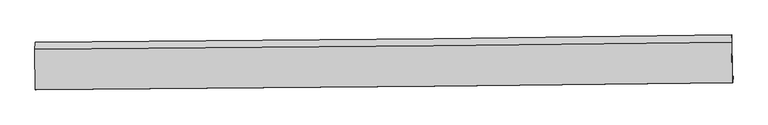
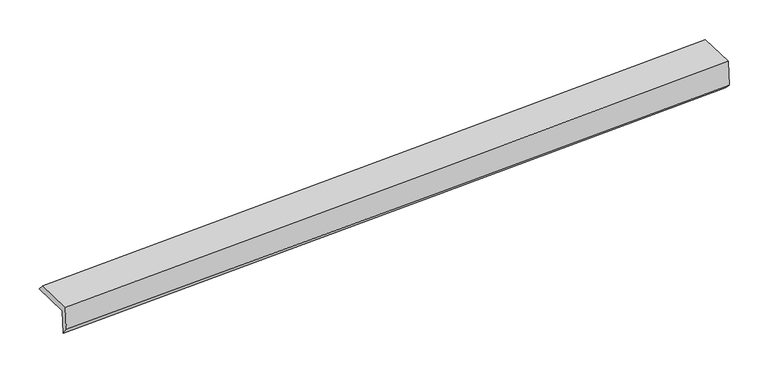
"""IFC4 building model written with IfcOpenShell, lengths in millimetres: proxy geometry."""

from ifc_helpers import new_model, si_unit, frame, origin, place, context, project, spatial, source, transform, mapped, element, save
from ifc_brep_helpers import plane_surface, spline_curve, spline_surface, advanced_brep


def generic_models_94806629(model_context):
    return source(origin(), model_context, "Body", "AdvancedBrep", [
        advanced_brep(
        [(-5940.9737571, -1885.9415461, 1435.5698928), (-5954.4286904, -1882.0729065, 1836.5111288), (5393.8530104, -1760.8798928, 2226.1776538), (5407.7168566, -1764.8661053, 1813.0512973), (-5944.1653687, -1982.7490241, 1560.5548475), (5405.0757792, -1871.8024375, 1924.6793948), (-5957.7372789, -1978.8467506, 1964.9818555), (5390.6433728, -1867.6527493, 2354.7481805), (-5964.1944362, -1326.3488784, 1958.4692808), (5384.0872647, -1205.1558646, 2348.1358058), (-5961.0791204, -1210.044762, 1829.8036227), (5387.2025804, -1088.8517482, 2219.4701477)],
        [
            (0, 1),
            (1, 2, spline_curve(3, [(-5954.4286904, -1882.0729065, 1836.5111288), (-3790.889510063, -1861.200022735, 1910.261680918), (-1627.374690751, -1839.050581158, 1984.319671099), (2155.375162342, -1798.091446114, 2114.34373234), (3774.620909095, -1779.84321657, 2170.174583427), (5393.8530104, -1760.8798928, 2226.1776538)], [4, 2, 4], [0.0, 21.308019084441412, 37.2559563207416])),
            (2, 3),
            (3, 0, spline_curve(3, [(5407.7168566, -1764.8661053, 1813.0512973), (3788.501729216, -1783.834309671, 1756.542430124), (2169.24071341, -1802.078148985, 1701.166557971), (-1613.62012766, -1843.005371819, 1574.449840851), (-3777.255983601, -1865.12001253, 1503.99857822), (-5940.9737571, -1885.9415461, 1435.5698928)], [4, 2, 4], [0.0, 15.947937236300191, 37.2559563207416])),
            (4, 0),
            (3, 5),
            (5, 4, spline_curve(3, [(5405.0757792, -1871.8024375, 1924.6793948), (3785.689741121, -1891.786301744, 1873.589028235), (2166.297348832, -1909.992367259, 1822.128022958), (-1616.778045205, -1948.370419337, 1701.044184044), (-3780.466035359, -1967.146549816, 1631.13034051), (-5944.1653687, -1982.7490241, 1560.5548475)], [4, 2, 4], [0.0, 15.947942810277933, 37.255969342104066])),
            (6, 4),
            (5, 7),
            (7, 6, spline_curve(3, [(5390.6433728, -1867.6527493, 2354.7481805), (3771.421838921, -1887.683913226, 2298.755768407), (2152.17609208, -1905.93214252, 2242.924917028), (-1630.598447358, -1944.396698089, 2112.875957441), (-3794.14625082, -1963.213135828, 2038.784700132), (-5957.7372789, -1978.8467506, 1964.9818555)], [4, 2, 4], [0.0, 15.94794594022402, 37.255976653967224])),
            (8, 6),
            (7, 9),
            (9, 8, spline_curve(3, [(5384.0872647, -1205.1558646, 2348.1358058), (3764.883998551, -1227.032980201, 2292.161818219), (2145.654743285, -1246.947711765, 2236.347600189), (-1637.085417902, -1288.886168255, 2106.333313538), (-3800.616729668, -1309.369107798, 2032.258689685), (-5964.1944362, -1326.3488784, 1958.4692808)], [4, 2, 4], [0.0, 15.947954313434007, 37.25599621461265])),
            (10, 8),
            (9, 11),
            (11, 10, spline_curve(3, [(5387.2025804, -1088.8517482, 2219.4701477), (3767.999314328, -1110.728863971, 2163.496159965), (2148.770058919, -1130.643595457, 2107.681942178), (-1633.970102114, -1172.582051733, 1977.667655319), (-3797.501413938, -1193.064991517, 1903.593031589), (-5961.0791204, -1210.044762, 1829.8036227)], [4, 2, 4], [0.0, 15.947957537968072, 37.25600374744267])),
            (1, 10),
            (11, 2),
        ],
        [
            spline_surface(3, 3, [[(-5940.9737571, -1885.9415461, 1435.5698928), (-3777.255983698, -1865.120012458, 1503.998578006), (-1613.620127986, -1843.005371659, 1574.44984081), (2169.240713654, -1802.078149105, 1701.166558002), (3788.501729229, -1783.83430965, 1756.542430039), (5407.7168566, -1764.8661053, 1813.0512973)], [(-5945.458734896, -1884.651999562, 1569.216971465), (-3781.800492546, -1863.81334921, 1639.41961221), (-1618.204982132, -1841.6871081, 1711.073117579), (2164.618863152, -1800.749248141, 1838.892282769), (3783.874789275, -1782.503945338, 1894.419814516), (5403.095574553, -1763.537367782, 1950.760082794)], [(-5949.943712604, -1883.362453038, 1702.864050135), (-3786.345001306, -1862.506685978, 1774.840646418), (-1622.789836308, -1840.368844559, 1847.696394361), (2159.997012621, -1799.420347196, 1976.618007549), (3779.247849262, -1781.173581081, 2032.297199011), (5398.474292447, -1762.208630318, 2088.468868306)], [(-5954.4286904, -1882.0729065, 1836.5111288), (-3790.889510154, -1861.20002273, 1910.261680621), (-1627.374690454, -1839.050581, 1984.319671131), (2155.37516212, -1798.091446232, 2114.343732316), (3774.620909309, -1779.843216769, 2170.174583488), (5393.8530104, -1760.8798928, 2226.1776538)]], [4, 4], [4, 2, 4], [0.0, 1.3491362604783097], [0.0, 21.308019084441412, 37.2559563207416]),
            spline_surface(3, 3, [[(-5944.1653687, -1982.7490241, 1560.5548475), (-3780.466035677, -1967.146549568, 1631.130340414), (-1616.778045128, -1948.370419342, 1701.044184232), (2166.297348774, -1909.992367254, 1822.128022817), (3785.689740869, -1891.786301927, 1873.589028086), (5405.0757792, -1871.8024375, 1924.6793948)], [(-5943.101498157, -1950.479864785, 1518.893195951), (-3779.396018341, -1933.137703884, 1588.753086295), (-1615.725406085, -1913.248736787, 1658.84606975), (2167.278470395, -1874.02096121, 1781.807534537), (3786.627070311, -1855.802304504, 1834.573495411), (5405.956138322, -1836.156993436, 1887.470028975)], [(-5942.037627643, -1918.210705415, 1477.231544349), (-3778.326001034, -1899.128858143, 1546.375832124), (-1614.672767028, -1878.127054215, 1616.647955292), (2168.259592032, -1838.049555149, 1741.487046282), (3787.564399787, -1819.818307073, 1795.557962713), (5406.836497478, -1800.511549364, 1850.260663125)], [(-5940.9737571, -1885.9415461, 1435.5698928), (-3777.255983698, -1865.120012458, 1503.998578006), (-1613.620127986, -1843.005371659, 1574.44984081), (2169.240713654, -1802.078149105, 1701.166558002), (3788.501729229, -1783.83430965, 1756.542430039), (5407.7168566, -1764.8661053, 1813.0512973)]], [4, 4], [4, 2, 4], [0.0, 0.5368456729127155], [0.0, 21.308026531826133, 37.255969342104066]),
            spline_surface(3, 3, [[(-5957.7372789, -1978.8467506, 1964.9818555), (-3794.146250542, -1963.21313569, 2038.784700411), (-1630.598447151, -1944.396698103, 2112.875957459), (2152.176091925, -1905.93214251, 2242.924917014), (3771.421839114, -1887.683913046, 2298.755768286), (5390.6433728, -1867.6527493, 2354.7481805)], [(-5953.213308831, -1980.14750842, 1830.172852841), (-3789.586178918, -1964.524273636, 1902.899913752), (-1625.99164647, -1945.721271856, 1975.598699706), (2156.883177547, -1907.285550764, 2102.659285604), (3776.177806368, -1889.051376028, 2157.03352156), (5395.454174936, -1869.035978721, 2211.391918607)], [(-5948.689338769, -1981.44826628, 1695.363850159), (-3785.026107301, -1965.835411622, 1767.015127072), (-1621.384845808, -1947.04584559, 1838.321441986), (2161.590263151, -1908.638959, 1962.393654227), (3780.933773614, -1890.418838945, 2015.311274812), (5400.264977064, -1870.419208079, 2068.035656693)], [(-5944.1653687, -1982.7490241, 1560.5548475), (-3780.466035677, -1967.146549568, 1631.130340414), (-1616.778045128, -1948.370419342, 1701.044184232), (2166.297348774, -1909.992367254, 1822.128022817), (3785.689740869, -1891.786301927, 1873.589028086), (5405.0757792, -1871.8024375, 1924.6793948)]], [4, 4], [4, 2, 4], [0.0, 1.3626068154029978], [0.0, 21.308030713743204, 37.255976653967224]),
            spline_surface(3, 3, [[(-5964.1944362, -1326.3488784, 1958.4692808), (-3800.616729476, -1309.369108027, 2032.258689747), (-1637.08541788, -1288.886168268, 2106.333313576), (2145.654743269, -1246.947711755, 2236.347600161), (3764.883998662, -1227.03298022, 2292.161818013), (5384.0872647, -1205.1558646, 2348.1358058)], [(-5962.042050444, -1543.848169143, 1960.640139024), (-3798.459903175, -1527.317117257, 2034.434026625), (-1634.923094312, -1507.389678187, 2108.514194901), (2147.828526146, -1466.609188647, 2238.540039143), (3767.063278807, -1447.2499578, 2294.359801442), (5386.272634061, -1425.988159471, 2350.339930704)], [(-5959.889664656, -1761.347459857, 1962.810997276), (-3796.303076843, -1745.26512646, 2036.609363532), (-1632.760770719, -1725.893188185, 2110.695076134), (2150.002309048, -1686.270665618, 2240.732478032), (3769.242558969, -1667.466935466, 2296.557784858), (5388.458003439, -1646.820454429, 2352.544055596)], [(-5957.7372789, -1978.8467506, 1964.9818555), (-3794.146250542, -1963.21313569, 2038.784700411), (-1630.598447151, -1944.396698103, 2112.875957459), (2152.176091925, -1905.93214251, 2242.924917014), (3771.421839114, -1887.683913046, 2298.755768286), (5390.6433728, -1867.6527493, 2354.7481805)]], [4, 4], [4, 2, 4], [0.0, 2.1549467072294988], [0.0, 21.308041901178644, 37.25599621461265]),
            spline_surface(3, 3, [[(-5961.0791204, -1210.044762, 1829.8036227), (-3797.501413676, -1193.064991627, 1903.593031647), (-1633.97010218, -1172.582051868, 1977.667655476), (2148.770058969, -1130.643595355, 2107.681942061), (3767.999314362, -1110.72886382, 2163.496159913), (5387.2025804, -1088.8517482, 2219.4701477)], [(-5962.117558975, -1248.812800805, 1872.692175394), (-3798.53985225, -1231.833030432, 1946.48158434), (-1635.008540755, -1211.350090674, 2020.556208169), (2147.731620394, -1169.41163416, 2150.570494754), (3766.960875787, -1149.496902625, 2206.384712607), (5386.164141825, -1127.619787005, 2262.358700394)], [(-5963.155997625, -1287.580839595, 1915.580728106), (-3799.578290901, -1270.601069222, 1989.370137053), (-1636.046979305, -1250.118129463, 2063.444760882), (2146.693181843, -1208.17967295, 2193.459047467), (3765.922437237, -1188.264941415, 2249.27326532), (5385.125703275, -1166.387825795, 2305.247253106)], [(-5964.1944362, -1326.3488784, 1958.4692808), (-3800.616729476, -1309.369108027, 2032.258689747), (-1637.08541788, -1288.886168268, 2106.333313576), (2145.654743269, -1246.947711755, 2236.347600161), (3764.883998662, -1227.03298022, 2292.161818013), (5384.0872647, -1205.1558646, 2348.1358058)]], [4, 4], [4, 2, 4], [0.0, 0.5691212761353494], [0.0, 21.308046209474597, 37.25600374744267]),
            spline_surface(3, 3, [[(-5954.4286904, -1882.0729065, 1836.5111288), (-3790.889510154, -1861.20002273, 1910.261680621), (-1627.374690454, -1839.050581, 1984.319671131), (2155.37516212, -1798.091446232, 2114.343732316), (3774.620909309, -1779.843216769, 2170.174583488), (5393.8530104, -1760.8798928, 2226.1776538)], [(-5956.645500397, -1658.063524985, 1834.275293426), (-3793.093477991, -1638.48834568, 1908.038797622), (-1629.573161024, -1616.894404638, 1982.102332578), (2153.173461075, -1575.608829289, 2112.123135564), (3772.413710996, -1556.805099137, 2167.948442289), (5391.636200403, -1536.870511285, 2223.941818426)], [(-5958.862310403, -1434.054143515, 1832.039458074), (-3795.297445839, -1415.776668676, 1905.815914646), (-1631.77163161, -1394.73822823, 1979.884994028), (2150.971760013, -1353.126212298, 2109.902538813), (3770.206512674, -1333.766981451, 2165.722301113), (5389.419390397, -1312.861129715, 2221.705983074)], [(-5961.0791204, -1210.044762, 1829.8036227), (-3797.501413676, -1193.064991627, 1903.593031647), (-1633.97010218, -1172.582051868, 1977.667655476), (2148.770058969, -1130.643595355, 2107.681942061), (3767.999314362, -1110.72886382, 2163.496159913), (5387.2025804, -1088.8517482, 2219.4701477)]], [4, 4], [4, 2, 4], [0.0, 2.1882835909930383], [0.0, 21.308032793039565, 37.2559802895081]),
            plane_surface(frame((5394.763144, -1593.2014663, 2147.7104133), z_axis=(0.9993884603836583, 0.010223763193890286, 0.033439197330927505), x_axis=(0.009895081386100303, -0.9999012385637366, 0.0099800041617269))),
            plane_surface(frame((-5953.7631086, -1711.0006446, 1764.3151047), z_axis=(-0.9993884603836585, -0.010223763194008794, -0.03343919733088183), x_axis=(0.03353792802695065, -0.00964301741473565, -0.9993909243128027))),
        ],
        [
            (0, [[1, 2, 3, 4]]),
            (1, [[5, -4, 6, 7]]),
            (2, [[8, -7, 9, 10]]),
            (3, [[11, -10, 12, 13]]),
            (4, [[14, -13, 15, 16]]),
            (5, [[17, -16, 18, -2]]),
            (6, [[-12, -9, -6, -3, -18, -15]]),
            (7, [[-1, -5, -8, -11, -14, -17]]),
        ],
    ),
    ])


if __name__ == "__main__":
    model = new_model("IFC4")
    model_context = context("Model", 3, world=origin())
    ifc_project = project(units=[si_unit("LENGTHUNIT", "METRE", prefix="MILLI")], contexts=[model_context])
    site = spatial("IfcSite", under=ifc_project)
    building = spatial("IfcBuilding", under=site)
    placement = place(None, origin())
    generic_models_shape = generic_models_94806629(model_context)
    element("IfcBuildingElementProxy", 1, Name="Generic Models", at=placement, inside=building, context=model_context, shape_type="MappedRepresentation", body=[
        mapped(generic_models_shape, transform((0.0, 0.0, 0.0), x_axis=(1.0, 0.0, 0.0), y_axis=(0.0, 1.0, 0.0), z_axis=(0.0, 0.0, 1.0))),
    ])
    save(model, "model.ifc")
